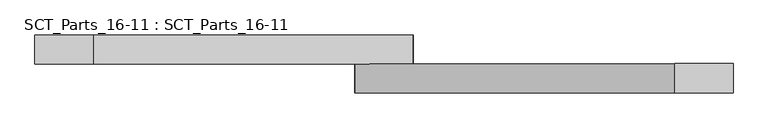
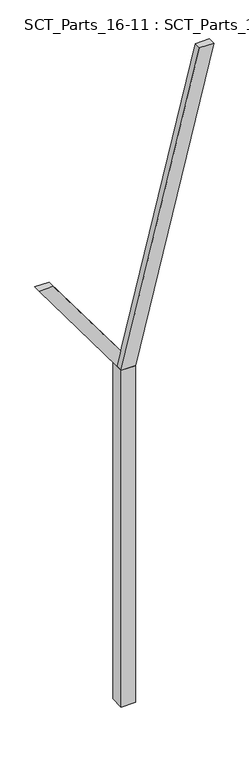
"""IFC4 building model written with IfcOpenShell, lengths in millimetres: proxy geometry, SCT_Parts_16-11 : SCT_Parts_16-11."""

from ifc_helpers import new_model, si_unit, frame, origin, origin_with_axes, place, context, project, spatial, polyline, outline, extrude, source, transform, mapped, element, save


def sct_parts_16_11_sct_parts_16_11_e8384d93(model_context):
    return source(origin(), model_context, "Body", "SweptSolid", [
        extrude(outline(polyline([(5000.0, 200.0), (9400.0, 1300.0), (9400.0, 1100.0), (5000.0, 0.0), (5000.0, 200.0)])), frame((0.0, -200.0, 0.0), z_axis=(0.0, 1.0, 0.0), x_axis=(0.0, 0.0, 1.0)), (0.0, 0.0, 1.0), 100.0),
        extrude(outline(polyline([(5000.0, 0.0), (5000.0, 200.0), (6500.0, -900.0), (6500.0, -1100.0), (5000.0, 0.0)])), frame((0.0, -100.0, 0.0), z_axis=(0.0, 1.0, 0.0), x_axis=(0.0, 0.0, 1.0)), (0.0, 0.0, 1.0), 100.0),
        extrude(outline(polyline([(200.0, -200.0), (0.0, -200.0), (0.0, 0.0), (200.0, 0.0), (200.0, -200.0)])), origin_with_axes(), (0.0, 0.0, 1.0), 5000.0),
    ])


if __name__ == "__main__":
    model = new_model("IFC4")
    model_context = context("Model", 3, world=origin())
    ifc_project = project(units=[si_unit("LENGTHUNIT", "METRE", prefix="MILLI")], contexts=[model_context])
    site = spatial("IfcSite", under=ifc_project)
    building = spatial("IfcBuilding", under=site)
    placement = place(None, origin())
    sct_parts_16_11_sct_parts_16_11_shape = sct_parts_16_11_sct_parts_16_11_e8384d93(model_context)
    element("IfcBuildingElementProxy", 1, Name="SCT_Parts_16-11 : SCT_Parts_16-11", ObjectType="SCT_Parts_16-11 : SCT_Parts_16-11", at=placement, inside=building, context=model_context, shape_type="MappedRepresentation", body=[
        mapped(sct_parts_16_11_sct_parts_16_11_shape, transform((0.0, 0.0, 0.0), x_axis=(1.0, 0.0, 0.0), y_axis=(0.0, 1.0, 0.0), z_axis=(0.0, 0.0, 1.0))),
    ])
    save(model, "model.ifc")
